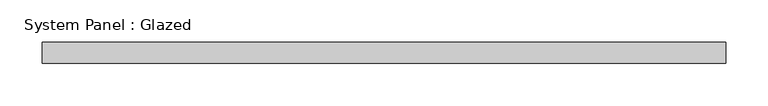
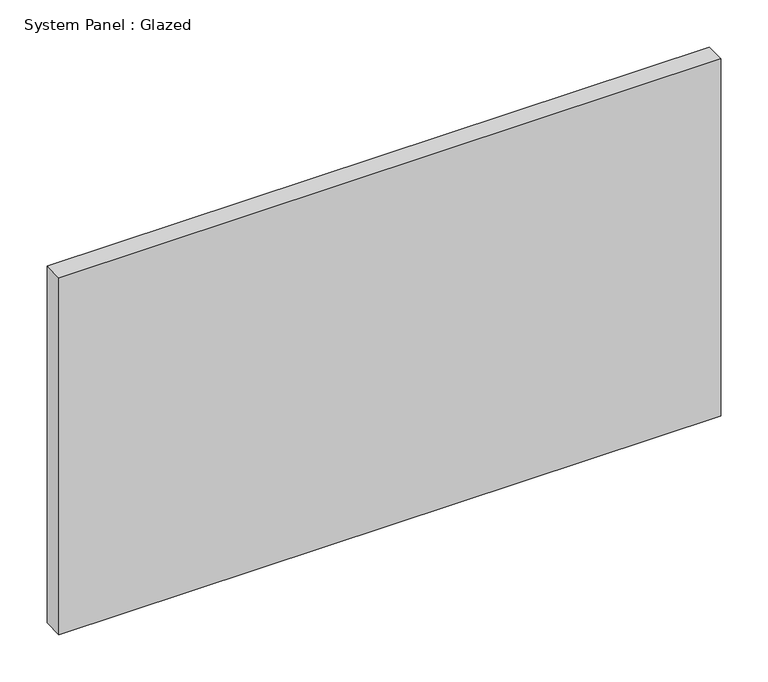
"""IFC4 building model written with IfcOpenShell, lengths in millimetres: plate geometry, System Panel : Glazed."""

from ifc_helpers import new_model, si_unit, origin, origin_with_axes, place, context, project, spatial, polyline, outline, extrude, source, transform, mapped, element, save


def system_panel_glazed_4624cdc2(model_context):
    return source(origin(), model_context, "Body", "SweptSolid", [
        extrude(outline(polyline([(406.4, 19.05), (-406.4, 19.05), (-406.4, 44.45), (406.4, 44.45), (406.4, 19.05)])), origin_with_axes(), (0.0, 0.0, 1.0), 463.55),
    ])


if __name__ == "__main__":
    model = new_model("IFC4")
    model_context = context("Model", 3, world=origin())
    ifc_project = project(units=[si_unit("LENGTHUNIT", "METRE", prefix="MILLI")], contexts=[model_context])
    site = spatial("IfcSite", under=ifc_project)
    building = spatial("IfcBuilding", under=site)
    placement = place(None, origin())
    system_panel_glazed_shape = system_panel_glazed_4624cdc2(model_context)
    element("IfcPlate", 1, ObjectType="System Panel : Glazed", at=placement, inside=building, context=model_context, shape_type="MappedRepresentation", body=[
        mapped(system_panel_glazed_shape, transform((0.0, 0.0, 0.0), x_axis=(1.0, 0.0, 0.0), y_axis=(0.0, 1.0, 0.0), z_axis=(0.0, 0.0, 1.0))),
    ])
    save(model, "model.ifc")
